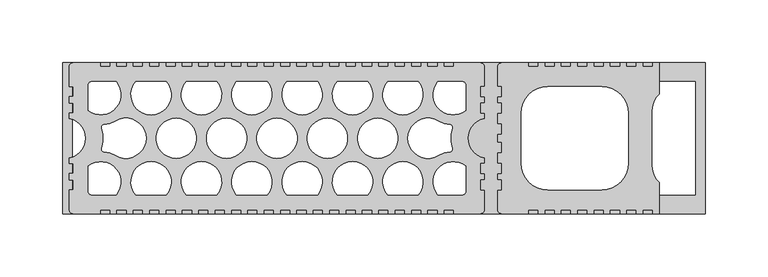
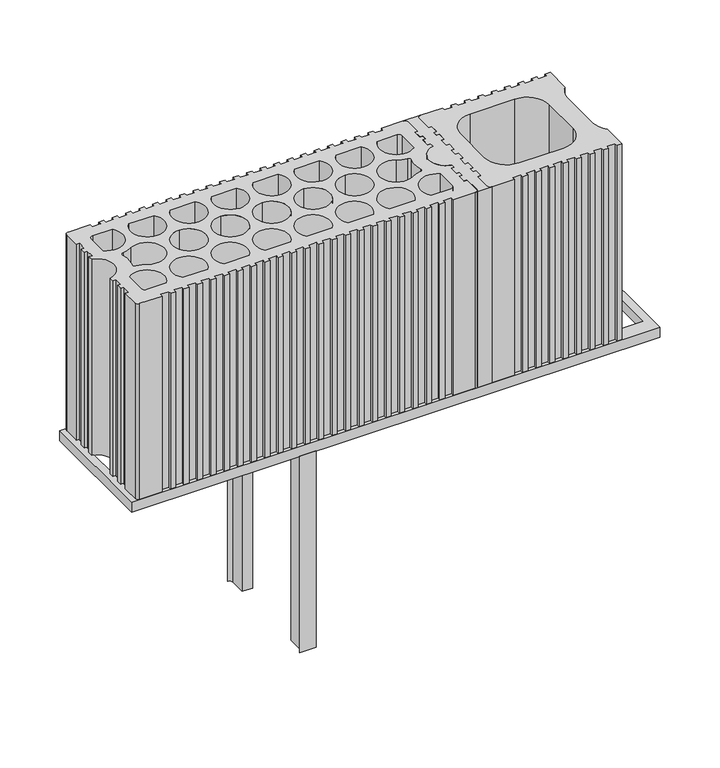
"""IFC4 building model written with IfcOpenShell, lengths in millimetres: plate geometry."""

from ifc_helpers import new_model, si_unit, point, frame, frame_2d, origin, place, context, project, spatial, polyline, circle_curve, trimmed, segment, composite_curve, outline, extrude, source, transform, mapped, element, save
from ifc_brep_helpers import plane_surface, cylinder_surface, revolved_surface, advanced_brep


def plate_0c4dad16(model_context):
    return source(origin(), model_context, "Body", "SolidModel", [
        advanced_brep(
        [(79.9998381, 40.9999193, 410.0), (76.9998232, 40.9999193, 410.0), (76.9998232, 32.9999342, 410.0), (79.9998381, 32.9999342, 410.0), (79.9998381, 27.9999416, 410.0), (76.9998232, 27.9999416, 410.0), (76.9998232, 19.9999565, 410.0), (79.9998381, 19.9999565, 410.0), (79.9998381, 15.7162058, 410.0), (79.9998381, -15.7162058, 410.0), (79.9998381, -19.9999618, 410.0), (76.9998232, -19.9999618, 410.0), (76.9998232, -28.0000909, 410.0), (79.9998381, -28.0000909, 410.0), (79.9998381, -32.999934, 410.0), (76.9998232, -32.999934, 410.0), (76.9998232, -40.9999191, 410.0), (79.9998381, -40.9999191, 410.0), (79.9998381, -56.9998849, 410.0), (76.999886, -59.9998788, 410.0), (92.9997902, -59.9998788, 410.0), (89.9998381, -56.9998849, 410.0), (89.9998381, -40.9999191, 410.0), (92.999853, -40.9999191, 410.0), (92.999853, -32.999934, 410.0), (89.9998381, -32.999934, 410.0), (89.9998381, -27.9999433, 410.0), (92.999853, -27.9999433, 410.0), (92.999853, -19.9999618, 410.0), (89.9998381, -19.9999618, 410.0), (89.9998381, -11.5000363, 410.0), (92.9998478, -11.5000363, 410.0), (92.9998478, -3.5000128, 410.0), (89.9998381, -3.5000128, 410.0), (89.9998381, 3.5000128, 410.0), (92.9998478, 3.5000128, 410.0), (92.9998478, 11.50004, 410.0), (89.9998381, 11.50004, 410.0), (89.9998381, 19.9999565, 410.0), (92.999853, 19.9999565, 410.0), (92.999853, 27.9999416, 410.0), (89.9998381, 27.9999416, 410.0), (89.9998381, 32.9999342, 410.0), (92.999853, 32.9999342, 410.0), (92.999853, 40.9999193, 410.0), (89.9998381, 40.9999193, 410.0), (89.9998381, 56.9998822, 410.0), (92.9995324, 59.9998815, 410.0), (77.0001438, 59.9998815, 410.0), (79.9998381, 56.9998822, 410.0), (79.9998381, 40.9999193, 210.0), (79.9998381, 56.9998822, 210.0), (77.0001438, 59.9998815, 210.0), (92.9995324, 59.9998815, 210.0), (89.9998381, 56.9998822, 210.0), (89.9998381, 40.9999193, 210.0), (92.999853, 40.9999193, 210.0), (92.999853, 32.9999342, 210.0), (89.9998381, 32.9999342, 210.0), (89.9998381, 27.9999416, 210.0), (92.999853, 27.9999416, 210.0), (92.999853, 19.9999565, 210.0), (89.9998381, 19.9999565, 210.0), (89.9998381, 11.50004, 210.0), (92.9998478, 11.50004, 210.0), (92.9998478, 3.5000128, 210.0), (89.9998381, 3.5000128, 210.0), (89.9998381, -3.5000128, 210.0), (92.9998478, -3.5000128, 210.0), (92.9998478, -11.5000363, 210.0), (89.9998381, -11.5000363, 210.0), (89.9998381, -19.9999618, 210.0), (92.999853, -19.9999618, 210.0), (92.999853, -27.9999433, 210.0), (89.9998381, -27.9999433, 210.0), (89.9998381, -32.999934, 210.0), (92.999853, -32.999934, 210.0), (92.999853, -40.9999191, 210.0), (89.9998381, -40.9999191, 210.0), (89.9998381, -56.9998849, 210.0), (92.9997902, -59.9998788, 210.0), (76.999886, -59.9998788, 210.0), (79.9998381, -56.9998849, 210.0), (79.9998381, -40.9999191, 210.0), (76.9998232, -40.9999191, 210.0), (76.9998232, -32.999934, 210.0), (79.9998381, -32.999934, 210.0), (79.9998381, -28.0000909, 210.0), (76.9998232, -28.0000909, 210.0), (76.9998232, -19.9999618, 210.0), (79.9998381, -19.9999618, 210.0), (79.9998381, -15.7162058, 210.0), (79.9998381, 15.7162058, 210.0), (79.9998381, 19.9999565, 210.0), (76.9998232, 19.9999565, 210.0), (76.9998232, 27.9999416, 210.0), (79.9998381, 27.9999416, 210.0), (79.9998381, 32.9999342, 210.0), (76.9998232, 32.9999342, 210.0), (76.9998232, 40.9999193, 210.0)],
        [
            (0, 1),
            (1, 2),
            (2, 3),
            (3, 4),
            (4, 5),
            (5, 6),
            (6, 7),
            (7, 8),
            (8, 9, circle_curve(frame((82.9998206, 0.0, 410.0), z_axis=(0.0, 0.0, 1.0), x_axis=(0.0, 1.0, 0.0)), 15.9999693)),
            (9, 10),
            (10, 11),
            (11, 12),
            (12, 13),
            (13, 14),
            (14, 15),
            (15, 16),
            (16, 17),
            (17, 18),
            (18, 19, circle_curve(frame((77.0618703, -57.0619101, 410.0), z_axis=(0.0, 0.0, -1.0), x_axis=(0.0, 1.0, 0.0)), 2.9386225)),
            (19, 20),
            (20, 21, circle_curve(frame((92.9378059, -57.0619101, 410.0), z_axis=(0.0, 0.0, -1.0), x_axis=(0.0, 1.0, 0.0)), 2.9386225)),
            (21, 22),
            (22, 23),
            (23, 24),
            (24, 25),
            (25, 26),
            (26, 27),
            (27, 28),
            (28, 29),
            (29, 30),
            (30, 31),
            (31, 32),
            (32, 33),
            (33, 34),
            (34, 35),
            (35, 36),
            (36, 37),
            (37, 38),
            (38, 39),
            (39, 40),
            (40, 41),
            (41, 42),
            (42, 43),
            (43, 44),
            (44, 45),
            (45, 46),
            (46, 47, circle_curve(frame((92.9378059, 57.0619074, 410.0), z_axis=(0.0, 0.0, -1.0), x_axis=(0.0, 1.0, 0.0)), 2.9386225)),
            (47, 48),
            (48, 49, circle_curve(frame((77.0618703, 57.0619074, 410.0), z_axis=(0.0, 0.0, -1.0), x_axis=(0.0, 1.0, 0.0)), 2.9386225)),
            (49, 0),
            (50, 51),
            (51, 52, circle_curve(frame((77.0618703, 57.0619074, 210.0), z_axis=(0.0, 0.0, 1.0), x_axis=(0.0, 1.0, 0.0)), 2.9386225)),
            (52, 53),
            (53, 54, circle_curve(frame((92.9378059, 57.0619074, 210.0), z_axis=(0.0, 0.0, 1.0), x_axis=(0.0, 1.0, 0.0)), 2.9386225)),
            (54, 55),
            (55, 56),
            (56, 57),
            (57, 58),
            (58, 59),
            (59, 60),
            (60, 61),
            (61, 62),
            (62, 63),
            (63, 64),
            (64, 65),
            (65, 66),
            (66, 67),
            (67, 68),
            (68, 69),
            (69, 70),
            (70, 71),
            (71, 72),
            (72, 73),
            (73, 74),
            (74, 75),
            (75, 76),
            (76, 77),
            (77, 78),
            (78, 79),
            (79, 80, circle_curve(frame((92.9378059, -57.0619101, 210.0), z_axis=(0.0, 0.0, 1.0), x_axis=(0.0, 1.0, 0.0)), 2.9386225)),
            (80, 81),
            (81, 82, circle_curve(frame((77.0618703, -57.0619101, 210.0), z_axis=(0.0, 0.0, 1.0), x_axis=(0.0, 1.0, 0.0)), 2.9386225)),
            (82, 83),
            (83, 84),
            (84, 85),
            (85, 86),
            (86, 87),
            (87, 88),
            (88, 89),
            (89, 90),
            (90, 91),
            (91, 92, circle_curve(frame((82.9998206, 0.0, 210.0), z_axis=(0.0, 0.0, -1.0), x_axis=(0.0, 1.0, 0.0)), 15.9999693)),
            (92, 93),
            (93, 94),
            (94, 95),
            (95, 96),
            (96, 97),
            (97, 98),
            (98, 99),
            (99, 50),
            (49, 51),
            (50, 0),
            (47, 53),
            (52, 48),
            (45, 55),
            (54, 46),
            (21, 79),
            (78, 22),
            (19, 81),
            (80, 20),
            (17, 83),
            (82, 18),
            (44, 56),
            (43, 57),
            (42, 58),
            (41, 59),
            (40, 60),
            (39, 61),
            (38, 62),
            (37, 63),
            (29, 71),
            (70, 30),
            (28, 72),
            (27, 73),
            (26, 74),
            (25, 75),
            (24, 76),
            (23, 77),
            (16, 84),
            (15, 85),
            (14, 86),
            (13, 87),
            (12, 88),
            (11, 89),
            (10, 90),
            (9, 91),
            (8, 92),
            (7, 93),
            (6, 94),
            (5, 95),
            (4, 96),
            (3, 97),
            (2, 98),
            (1, 99),
            (36, 64),
            (35, 65),
            (34, 66),
            (33, 67),
            (32, 68),
            (31, 69),
        ],
        [
            plane_surface(frame((79.9998381, 40.9999193, 410.0), z_axis=(0.0, 0.0, 1.0), x_axis=(-1.0, 0.0, 0.0))),
            plane_surface(frame((79.9998381, 40.9999193, 210.0), z_axis=(0.0, 0.0, -1.0), x_axis=(1.0, 0.0, 0.0))),
            plane_surface(frame((79.9998381, 56.9998822, 410.0), z_axis=(-1.0, 0.0, 0.0), x_axis=(0.0, 0.0, -1.0))),
            plane_surface(frame((92.9995324, 59.9998815, 410.0), z_axis=(0.0, 1.0, 0.0), x_axis=(0.0, 0.0, -1.0))),
            plane_surface(frame((89.9998381, 40.9999193, 410.0), z_axis=(1.0, 0.0, 0.0), x_axis=(0.0, 0.0, -1.0))),
            plane_surface(frame((89.9998381, -56.9998849, 410.0), z_axis=(1.0, 0.0, 0.0), x_axis=(0.0, 0.0, -1.0))),
            plane_surface(frame((76.999886, -59.9998788, 410.0), z_axis=(0.0, -1.0, 0.0), x_axis=(0.0, 0.0, -1.0))),
            plane_surface(frame((79.9998381, -40.9999191, 410.0), z_axis=(-1.0, 0.0, 0.0), x_axis=(0.0, 0.0, -1.0))),
            revolved_surface(polyline([(77.0618703, 60.000529900000004, 210.0), (77.0618703, 60.000529900000004, 410.0)]), (77.0618703, 57.0619074, 210.0), (0.0, 0.0, -1.0)),
            revolved_surface(polyline([(92.9378059, 60.000529900000004, 210.0), (92.9378059, 60.000529900000004, 410.0)]), (92.9378059, 57.0619074, 210.0), (0.0, 0.0, -1.0)),
            revolved_surface(polyline([(92.9378059, -54.1232876, 210.0), (92.9378059, -54.1232876, 410.0)]), (92.9378059, -57.0619101, 210.0), (0.0, 0.0, -1.0)),
            revolved_surface(polyline([(77.0618703, -54.1232876, 210.0), (77.0618703, -54.1232876, 410.0)]), (77.0618703, -57.0619101, 210.0), (0.0, 0.0, -1.0)),
            plane_surface(frame((92.999853, 40.9999193, 410.0), z_axis=(0.0, 1.0, 0.0), x_axis=(0.0, 0.0, -1.0))),
            plane_surface(frame((92.999853, 32.9999342, 410.0), z_axis=(1.0, 0.0, 0.0), x_axis=(0.0, 0.0, -1.0))),
            plane_surface(frame((89.9998381, 32.9999342, 410.0), z_axis=(0.0, -1.0, 0.0), x_axis=(0.0, 0.0, -1.0))),
            plane_surface(frame((89.9998381, 27.9999416, 410.0), z_axis=(1.0, 0.0, 0.0), x_axis=(0.0, 0.0, -1.0))),
            plane_surface(frame((92.999853, 27.9999416, 410.0), z_axis=(0.0, 1.0, 0.0), x_axis=(0.0, 0.0, -1.0))),
            plane_surface(frame((92.999853, 19.9999565, 410.0), z_axis=(1.0, 0.0, 0.0), x_axis=(0.0, 0.0, -1.0))),
            plane_surface(frame((89.9998381, 19.9999565, 410.0), z_axis=(0.0, -1.0, 0.0), x_axis=(0.0, 0.0, -1.0))),
            plane_surface(frame((89.9998381, 11.50004, 410.0), z_axis=(1.0, 0.0, 0.0), x_axis=(0.0, 0.0, -1.0))),
            plane_surface(frame((89.9998381, -19.9999618, 410.0), z_axis=(1.0, 0.0, 0.0), x_axis=(0.0, 0.0, -1.0))),
            plane_surface(frame((92.999853, -19.9999618, 410.0), z_axis=(0.0, 1.0, 0.0), x_axis=(0.0, 0.0, -1.0))),
            plane_surface(frame((92.999853, -27.9999433, 410.0), z_axis=(1.0, 0.0, 0.0), x_axis=(0.0, 0.0, -1.0))),
            plane_surface(frame((89.9998381, -27.9999433, 410.0), z_axis=(0.0, -1.0, 0.0), x_axis=(0.0, 0.0, -1.0))),
            plane_surface(frame((89.9998381, -32.999934, 410.0), z_axis=(1.0, 0.0, 0.0), x_axis=(0.0, 0.0, -1.0))),
            plane_surface(frame((92.999853, -32.999934, 410.0), z_axis=(0.0, 1.0, 0.0), x_axis=(0.0, 0.0, -1.0))),
            plane_surface(frame((92.999853, -40.9999191, 410.0), z_axis=(1.0, 0.0, 0.0), x_axis=(0.0, 0.0, -1.0))),
            plane_surface(frame((89.9998381, -40.9999191, 410.0), z_axis=(0.0, -1.0, 0.0), x_axis=(0.0, 0.0, -1.0))),
            plane_surface(frame((76.9998232, -40.9999191, 410.0), z_axis=(0.0, -1.0, 0.0), x_axis=(0.0, 0.0, -1.0))),
            plane_surface(frame((76.9998232, -32.999934, 410.0), z_axis=(-1.0, 0.0, 0.0), x_axis=(0.0, 0.0, -1.0))),
            plane_surface(frame((79.9998381, -32.999934, 410.0), z_axis=(0.0, 1.0, 0.0), x_axis=(0.0, 0.0, -1.0))),
            plane_surface(frame((79.9998381, -28.0000909, 410.0), z_axis=(-1.0, 0.0, 0.0), x_axis=(0.0, 0.0, -1.0))),
            plane_surface(frame((76.9998232, -28.0000909, 410.0), z_axis=(0.0, -1.0, 0.0), x_axis=(0.0, 0.0, -1.0))),
            plane_surface(frame((76.9998232, -19.9999618, 410.0), z_axis=(-1.0, 0.0, 0.0), x_axis=(0.0, 0.0, -1.0))),
            plane_surface(frame((79.9998381, -19.9999618, 410.0), z_axis=(0.0, 1.0, 0.0), x_axis=(0.0, 0.0, -1.0))),
            plane_surface(frame((79.9998381, -15.7162058, 410.0), z_axis=(-1.0, 0.0, 0.0), x_axis=(0.0, 0.0, -1.0))),
            cylinder_surface(frame((82.9998206, 0.0, 210.0), z_axis=(0.0, 0.0, 1.0), x_axis=(0.0, 1.0, 0.0)), 15.9999693),
            plane_surface(frame((79.9998381, 19.9999565, 410.0), z_axis=(-1.0, 0.0, 0.0), x_axis=(0.0, 0.0, -1.0))),
            plane_surface(frame((76.9998232, 19.9999565, 410.0), z_axis=(0.0, -1.0, 0.0), x_axis=(0.0, 0.0, -1.0))),
            plane_surface(frame((76.9998232, 27.9999416, 410.0), z_axis=(-1.0, 0.0, 0.0), x_axis=(0.0, 0.0, -1.0))),
            plane_surface(frame((79.9998381, 27.9999416, 410.0), z_axis=(0.0, 1.0, 0.0), x_axis=(0.0, 0.0, -1.0))),
            plane_surface(frame((79.9998381, 32.9999342, 410.0), z_axis=(-1.0, 0.0, 0.0), x_axis=(0.0, 0.0, -1.0))),
            plane_surface(frame((76.9998232, 32.9999342, 410.0), z_axis=(0.0, -1.0, 0.0), x_axis=(0.0, 0.0, -1.0))),
            plane_surface(frame((76.9998232, 40.9999193, 410.0), z_axis=(-1.0, 0.0, 0.0), x_axis=(0.0, 0.0, -1.0))),
            plane_surface(frame((79.9998381, 40.9999193, 410.0), z_axis=(0.0, 1.0, 0.0), x_axis=(0.0, 0.0, -1.0))),
            plane_surface(frame((92.9998478, 11.50004, 410.0), z_axis=(0.0, 1.0, 0.0), x_axis=(0.0, 0.0, -1.0))),
            plane_surface(frame((92.9998478, 3.5000128, 410.0), z_axis=(1.0, 0.0, 0.0), x_axis=(0.0, 0.0, -1.0))),
            plane_surface(frame((89.9998381, 3.5000128, 410.0), z_axis=(0.0, -1.0, 0.0), x_axis=(0.0, 0.0, -1.0))),
            plane_surface(frame((89.9998381, -3.5000128, 410.0), z_axis=(1.0, 0.0, 0.0), x_axis=(0.0, 0.0, -1.0))),
            plane_surface(frame((92.9998478, -3.5000128, 410.0), z_axis=(0.0, 1.0, 0.0), x_axis=(0.0, 0.0, -1.0))),
            plane_surface(frame((92.9998478, -11.5000363, 410.0), z_axis=(1.0, 0.0, 0.0), x_axis=(0.0, 0.0, -1.0))),
            plane_surface(frame((89.9998381, -11.5000363, 410.0), z_axis=(0.0, -1.0, 0.0), x_axis=(0.0, 0.0, -1.0))),
        ],
        [
            (0, [[1, 2, 3, 4, 5, 6, 7, 8, 9, 10, 11, 12, 13, 14, 15, 16, 17, 18, 19, 20, 21, 22, 23, 24, 25, 26, 27, 28, 29, 30, 31, 32, 33, 34, 35, 36, 37, 38, 39, 40, 41, 42, 43, 44, 45, 46, 47, 48, 49, 50]]),
            (1, [[51, 52, 53, 54, 55, 56, 57, 58, 59, 60, 61, 62, 63, 64, 65, 66, 67, 68, 69, 70, 71, 72, 73, 74, 75, 76, 77, 78, 79, 80, 81, 82, 83, 84, 85, 86, 87, 88, 89, 90, 91, 92, 93, 94, 95, 96, 97, 98, 99, 100]]),
            (2, [[-50, 101, -51, 102]]),
            (3, [[-48, 103, -53, 104]]),
            (4, [[-46, 105, -55, 106]]),
            (5, [[-22, 107, -79, 108]]),
            (6, [[-20, 109, -81, 110]]),
            (7, [[-18, 111, -83, 112]]),
            (8, [[-49, -104, -52, -101]]),
            (9, [[-47, -106, -54, -103]]),
            (10, [[-21, -110, -80, -107]]),
            (11, [[-19, -112, -82, -109]]),
            (12, [[-45, 113, -56, -105]]),
            (13, [[-44, 114, -57, -113]]),
            (14, [[-43, 115, -58, -114]]),
            (15, [[-42, 116, -59, -115]]),
            (16, [[-41, 117, -60, -116]]),
            (17, [[-40, 118, -61, -117]]),
            (18, [[-39, 119, -62, -118]]),
            (19, [[-38, 120, -63, -119]]),
            (20, [[-30, 121, -71, 122]]),
            (21, [[-29, 123, -72, -121]]),
            (22, [[-28, 124, -73, -123]]),
            (23, [[-27, 125, -74, -124]]),
            (24, [[-26, 126, -75, -125]]),
            (25, [[-25, 127, -76, -126]]),
            (26, [[-24, 128, -77, -127]]),
            (27, [[-23, -108, -78, -128]]),
            (28, [[-17, 129, -84, -111]]),
            (29, [[-16, 130, -85, -129]]),
            (30, [[-15, 131, -86, -130]]),
            (31, [[-14, 132, -87, -131]]),
            (32, [[-13, 133, -88, -132]]),
            (33, [[-12, 134, -89, -133]]),
            (34, [[-11, 135, -90, -134]]),
            (35, [[-10, 136, -91, -135]]),
            (36, [[-9, 137, -92, -136]]),
            (37, [[-8, 138, -93, -137]]),
            (38, [[-7, 139, -94, -138]]),
            (39, [[-6, 140, -95, -139]]),
            (40, [[-5, 141, -96, -140]]),
            (41, [[-4, 142, -97, -141]]),
            (42, [[-3, 143, -98, -142]]),
            (43, [[-2, 144, -99, -143]]),
            (44, [[-1, -102, -100, -144]]),
            (45, [[-37, 145, -64, -120]]),
            (46, [[-36, 146, -65, -145]]),
            (47, [[-35, 147, -66, -146]]),
            (48, [[-34, 148, -67, -147]]),
            (49, [[-33, 149, -68, -148]]),
            (50, [[-32, 150, -69, -149]]),
            (51, [[-31, -122, -70, -150]]),
        ],
    ),
        advanced_brep(
        [(-89.9998399, -40.9999178, 200.0), (-89.9998399, -56.9998835, 200.0), (-92.9997277, -59.9998788, 200.0), (-76.9999521, -59.9998788, 200.0), (-79.9998399, -56.9998835, 200.0), (-79.9998399, -40.9999178, 200.0), (-89.9998399, -40.9999178, 0.0), (-79.9998399, -40.9999178, 0.0), (-79.9998399, -56.9998835, 0.0), (-76.9999521, -59.9998788, 0.0), (-92.9997277, -59.9998788, 0.0), (-89.9998399, -56.9998835, 0.0)],
        [
            (0, 1),
            (1, 2, circle_curve(frame((-92.9378077, -57.0619088, 200.0), z_axis=(0.0, 0.0, -1.0), x_axis=(1.0, 0.0, 0.0)), 2.9386225)),
            (2, 3),
            (3, 4, circle_curve(frame((-77.0618721, -57.0619088, 200.0), z_axis=(0.0, 0.0, -1.0), x_axis=(1.0, 0.0, 0.0)), 2.9386225)),
            (4, 5),
            (5, 0),
            (6, 7),
            (7, 8),
            (8, 9, circle_curve(frame((-77.0618721, -57.0619088, 0.0), z_axis=(0.0, 0.0, 1.0), x_axis=(1.0, 0.0, 0.0)), 2.9386225)),
            (9, 10),
            (10, 11, circle_curve(frame((-92.9378077, -57.0619088, 0.0), z_axis=(0.0, 0.0, 1.0), x_axis=(1.0, 0.0, 0.0)), 2.9386225)),
            (11, 6),
            (0, 6),
            (11, 1),
            (10, 2),
            (9, 3),
            (8, 4),
            (7, 5),
        ],
        [
            plane_surface(frame((-89.9998399, -56.9998835, 200.0), z_axis=(0.0, 0.0, 1.0), x_axis=(0.0, -1.0, 0.0))),
            plane_surface(frame((-89.9998399, -56.9998835, 0.0), z_axis=(0.0, 0.0, -1.0), x_axis=(0.0, 1.0, 0.0))),
            plane_surface(frame((-89.9998399, -40.9999178, 200.0), z_axis=(-1.0, 0.0, 0.0), x_axis=(0.0, 0.0, -1.0))),
            revolved_surface(polyline([(-89.9991852, -57.0619088, 0.0), (-89.9991852, -57.0619088, 200.0)]), (-92.9378077, -57.0619088, 0.0), (0.0, 0.0, -1.0)),
            plane_surface(frame((-92.9997277, -59.9998788, 200.0), z_axis=(0.0, -1.0, 0.0), x_axis=(0.0, 0.0, -1.0))),
            revolved_surface(polyline([(-74.12324960000001, -57.0619088, 0.0), (-74.12324960000001, -57.0619088, 200.0)]), (-77.0618721, -57.0619088, 0.0), (0.0, 0.0, -1.0)),
            plane_surface(frame((-79.9998399, -56.9998835, 200.0), z_axis=(1.0, 0.0, 0.0), x_axis=(0.0, 0.0, -1.0))),
            plane_surface(frame((-79.9998399, -40.9999178, 200.0), z_axis=(0.0, 1.0, 0.0), x_axis=(0.0, 0.0, -1.0))),
        ],
        [
            (0, [[1, 2, 3, 4, 5, 6]]),
            (1, [[7, 8, 9, 10, 11, 12]]),
            (2, [[-1, 13, -12, 14]]),
            (3, [[-2, -14, -11, 15]]),
            (4, [[-3, -15, -10, 16]]),
            (5, [[-4, -16, -9, 17]]),
            (6, [[-5, -17, -8, 18]]),
            (7, [[-6, -18, -7, -13]]),
        ],
    ),
        advanced_brep(
        [(-79.9998399, 40.9999207, 200.0), (-79.9998399, 56.9998835, 200.0), (-76.999825, 59.9998761, 200.0), (-92.9998548, 59.9998761, 200.0), (-89.9998399, 56.9998835, 200.0), (-89.9998399, 40.9999207, 200.0), (-79.9998399, 40.9999207, 0.0), (-89.9998399, 40.9999207, 0.0), (-89.9998399, 56.9998835, 0.0), (-92.9998548, 59.9998761, 0.0), (-76.999825, 59.9998761, 0.0), (-79.9998399, 56.9998835, 0.0)],
        [
            (0, 1),
            (1, 2, circle_curve(frame((-77.0618721, 57.0619088, 200.0), z_axis=(0.0, 0.0, -1.0), x_axis=(1.0, 0.0, 0.0)), 2.9386225)),
            (2, 3),
            (3, 4, circle_curve(frame((-92.9378077, 57.0619088, 200.0), z_axis=(0.0, 0.0, -1.0), x_axis=(1.0, 0.0, 0.0)), 2.9386225)),
            (4, 5),
            (5, 0),
            (6, 7),
            (7, 8),
            (8, 9, circle_curve(frame((-92.9378077, 57.0619088, 0.0), z_axis=(0.0, 0.0, 1.0), x_axis=(1.0, 0.0, 0.0)), 2.9386225)),
            (9, 10),
            (10, 11, circle_curve(frame((-77.0618721, 57.0619088, 0.0), z_axis=(0.0, 0.0, 1.0), x_axis=(1.0, 0.0, 0.0)), 2.9386225)),
            (11, 6),
            (0, 6),
            (11, 1),
            (10, 2),
            (9, 3),
            (8, 4),
            (7, 5),
        ],
        [
            plane_surface(frame((-89.9998399, -56.9998835, 200.0), z_axis=(0.0, 0.0, 1.0), x_axis=(0.0, -1.0, 0.0))),
            plane_surface(frame((-89.9998399, -56.9998835, 0.0), z_axis=(0.0, 0.0, -1.0), x_axis=(0.0, 1.0, 0.0))),
            plane_surface(frame((-79.9998399, 40.9999207, 200.0), z_axis=(1.0, 0.0, 0.0), x_axis=(0.0, 0.0, -1.0))),
            revolved_surface(polyline([(-74.12324960000001, 57.0619088, 0.0), (-74.12324960000001, 57.0619088, 200.0)]), (-77.0618721, 57.0619088, 0.0), (0.0, 0.0, -1.0)),
            plane_surface(frame((-76.999825, 59.9998761, 200.0), z_axis=(0.0, 1.0, 0.0), x_axis=(0.0, 0.0, -1.0))),
            revolved_surface(polyline([(-89.9991852, 57.0619088, 0.0), (-89.9991852, 57.0619088, 200.0)]), (-92.9378077, 57.0619088, 0.0), (0.0, 0.0, -1.0)),
            plane_surface(frame((-89.9998399, 56.9998835, 200.0), z_axis=(-1.0, 0.0, 0.0), x_axis=(0.0, 0.0, -1.0))),
            plane_surface(frame((-89.9998399, 40.9999207, 200.0), z_axis=(0.0, -1.0, 0.0), x_axis=(0.0, 0.0, -1.0))),
        ],
        [
            (0, [[1, 2, 3, 4, 5, 6]]),
            (1, [[7, 8, 9, 10, 11, 12]]),
            (2, [[-1, 13, -12, 14]]),
            (3, [[-2, -14, -11, 15]]),
            (4, [[-3, -15, -10, 16]]),
            (5, [[-4, -16, -9, 17]]),
            (6, [[-5, -17, -8, 18]]),
            (7, [[-6, -18, -7, -13]]),
        ],
    ),
        extrude(outline(polyline([(-254.9995197, 59.9998801), (254.9995197, 59.9998801), (254.9995197, -59.9998788), (-254.9995197, -59.9998788), (-254.9995197, 59.9998801)]), holes=[polyline([(247.1934492, 44.9999121), (-247.1934394, 44.9999121), (-247.1934394, -44.9999108), (247.1934492, -44.9999108), (247.1934492, 44.9999121)])]), frame((0.0, 0.0, 200.0), z_axis=(0.0, 0.0, 1.0), x_axis=(1.0, 0.0, 0.0)), (0.0, 0.0, 1.0), 10.0),
        extrude(outline(composite_curve([segment(polyline([(114.4999184, -60.0001945), (92.9998496, -60.0001945)]), True, "CONTINUOUS"), segment(trimmed(circle_curve(frame_2d((92.9998496, -57.0001848)), 3.0000097), [point((92.9998496, -60.0001945))], [point((89.9998399, -57.0001848))], False, "CARTESIAN"), True, "CONTINUOUS"), segment(polyline([(89.9998399, -57.0001848), (89.9998399, -41.0001337), (92.9998496, -41.0001337), (92.9998496, -33.0001065), (89.9998399, -33.0001065), (89.9998399, -28.0000895), (92.9998496, -28.0000895), (92.9998496, -20.0000661), (89.9998399, -20.0000661), (89.9998399, -11.5000363), (92.9998496, -11.5000363), (92.9998496, -3.5000128), (89.9998399, -3.5000128), (89.9998399, 3.5000128), (92.9998496, 3.5000128), (92.9998496, 11.50004), (89.9998399, 11.50004), (89.9998399, 20.0000623), (92.9998496, 20.0000623), (92.9998496, 28.0000895), (89.9998399, 28.0000895), (89.9998399, 33.0001084), (92.9998496, 33.0001084), (92.9998496, 41.0001355), (89.9998399, 41.0001355), (89.9998399, 57.0001856)]), True, "CONTINUOUS"), segment(trimmed(circle_curve(frame_2d((92.999845, 57.0001856)), 3.0000051), [point((89.9998399, 57.0001856))], [point((92.999845, 60.0001907))], False, "CARTESIAN"), True, "CONTINUOUS"), segment(polyline([(92.999845, 60.0001907), (114.4999184, 60.0001907), (114.4999184, 57.000181), (122.4999437, 57.000181), (122.4999437, 60.0001907), (127.4999626, 60.0001907), (127.4999626, 57.000181), (135.499986, 57.000181), (135.499986, 60.0001907), (140.5000049, 60.0001907), (140.5000049, 57.000181), (148.5000283, 57.000181), (148.5000283, 60.0001907), (153.5000472, 60.0001907), (153.5000472, 57.000181), (161.5000743, 57.000181), (161.5000743, 60.0001907), (166.5000857, 60.0001907), (166.5000857, 57.000181), (174.5001129, 57.000181), (174.5001129, 60.0001907), (179.5001317, 60.0001907), (179.5001317, 57.000181), (187.5001515, 57.000181), (187.5001515, 60.0001907), (192.5001703, 60.0001907), (192.5001703, 57.000181), (200.5001975, 57.000181), (200.5001975, 60.0001907), (205.5002163, 60.0001907), (205.5002163, 57.000181), (213.500236, 57.000181), (213.500236, 60.0001907), (218.5002549, 60.0001907), (218.5002549, 35.2830638)]), True, "CONTINUOUS"), segment(trimmed(circle_curve(frame_2d((232.5002648, 21.000126)), 20.0000648), [point((218.5002549, 35.2830638))], [point((212.5002, 21.000126))], True, "CARTESIAN"), True, "CONTINUOUS"), segment(polyline([(212.5002, 21.000126), (212.5002, -21.0001297)]), True, "CONTINUOUS"), segment(trimmed(circle_curve(frame_2d((232.5002648, -21.0001297)), 20.0000648), [point((212.5002, -21.0001297))], [point((218.5002549, -35.2830676))], True, "CARTESIAN"), True, "CONTINUOUS"), segment(polyline([(218.5002549, -35.2830676), (218.5002549, -60.0001945), (213.500236, -60.0001945), (213.500236, -57.0001847), (205.5002163, -57.0001847), (205.5002163, -60.0001945), (200.5001975, -60.0001945), (200.5001975, -57.0001847), (192.5001703, -57.0001847), (192.5001703, -60.0001945), (187.5001515, -60.0001945), (187.5001515, -57.0001847), (179.5001317, -57.0001847), (179.5001317, -60.0001945), (174.5001129, -60.0001945), (174.5001129, -57.0001847), (166.5000857, -57.0001847), (166.5000857, -60.0001945), (161.5000743, -60.0001945), (161.5000743, -57.0001847), (153.5000472, -57.0001847), (153.5000472, -60.0001945), (148.5000283, -60.0001945), (148.5000283, -57.0001847), (140.5000049, -57.0001847), (140.5000049, -60.0001945), (135.499986, -60.0001945), (135.499986, -57.0001847), (127.4999626, -57.0001847), (127.4999626, -60.0001945), (122.4999437, -60.0001945), (122.4999437, -57.0001847), (114.4999184, -57.0001847), (114.4999184, -60.0001945)]), True, "CONTINUOUS")], self_intersect=False), holes=[composite_curve([segment(trimmed(circle_curve(frame_2d((129.9998399, -20.0001945)), 21.0), [point((108.9998399, -20.0001945))], [point((129.9998399, -41.0001945))], True, "CARTESIAN"), True, "CONTINUOUS"), segment(polyline([(129.9998399, -41.0001945), (173.000192, -41.0001945)]), True, "CONTINUOUS"), segment(trimmed(circle_curve(frame_2d((173.000192, -20.0001945)), 21.0), [point((173.000192, -41.0001945))], [point((194.000192, -20.0001945))], True, "CARTESIAN"), True, "CONTINUOUS"), segment(polyline([(194.000192, -20.0001945), (194.000192, 20.0001907)]), True, "CONTINUOUS"), segment(trimmed(circle_curve(frame_2d((173.000192, 20.0001907)), 21.0), [point((194.000192, 20.0001907))], [point((173.000192, 41.0001907))], True, "CARTESIAN"), True, "CONTINUOUS"), segment(polyline([(173.000192, 41.0001907), (129.9998399, 41.0001907)]), True, "CONTINUOUS"), segment(trimmed(circle_curve(frame_2d((129.9998399, 20.0001907)), 21.0), [point((129.9998399, 41.0001907))], [point((108.9998399, 20.0001907))], True, "CARTESIAN"), True, "CONTINUOUS"), segment(polyline([(108.9998399, 20.0001907), (108.9998399, -20.0001945)]), True, "CONTINUOUS")], self_intersect=False)]), frame((0.0, 0.0, 210.0), z_axis=(0.0, 0.0, 1.0), x_axis=(1.0, 0.0, 0.0)), (0.0, 0.0, 1.0), 200.0),
        extrude(outline(composite_curve([segment(trimmed(circle_curve(frame_2d((-247.0615536, -57.0619101)), 2.9386225), [point((-246.9996337, -59.9998801))], [point((-249.9995215, -56.9998849))], False, "CARTESIAN"), True, "CONTINUOUS"), segment(polyline([(-249.9995215, -56.9998849), (-249.9995215, -40.9999191), (-246.9995065, -40.9999191), (-246.9995065, -32.999934), (-249.9995215, -32.999934), (-249.9995215, -28.0000909), (-246.9995065, -28.0000909), (-246.9995065, -19.9999618), (-249.9995215, -19.9999618), (-249.9995215, -15.7162058)]), True, "CONTINUOUS"), segment(trimmed(circle_curve(frame_2d((-252.9995039, 0.0)), 15.9999693), [point((-249.9995215, -15.7162058))], [point((-249.9995215, 15.7162058))], True, "CARTESIAN"), True, "CONTINUOUS"), segment(polyline([(-249.9995215, 15.7162058), (-249.9995215, 19.9999565), (-246.9995065, 19.9999565), (-246.9995065, 27.9999416), (-249.9995215, 27.9999416), (-249.9995215, 32.9999342), (-246.9995065, 32.9999342), (-246.9995065, 40.9999193), (-249.9995215, 40.9999193), (-249.9995215, 56.9998822)]), True, "CONTINUOUS"), segment(trimmed(circle_curve(frame_2d((-247.0615536, 57.0619074)), 2.9386225), [point((-249.9995215, 56.9998822))], [point((-246.9995065, 59.9998747))], False, "CARTESIAN"), True, "CONTINUOUS"), segment(polyline([(-246.9995065, 59.9998747), (-225.4995585, 59.9998747), (-225.4995585, 56.9998862), (-217.4995752, 56.9998862), (-217.4995752, 59.9998801), (-212.4995826, 59.9998801), (-212.4995826, 56.9998862), (-204.4996012, 56.9998862), (-204.4996012, 59.9998801), (-199.4996086, 59.9998801), (-199.4996086, 56.9998862), (-191.4996272, 56.9998862), (-191.4996272, 59.9998801), (-186.4996346, 59.9998801), (-186.4996346, 56.9998862), (-178.4996495, 56.9998862), (-178.4996495, 59.9998801), (-173.4996643, 59.9998801), (-173.4996643, 56.9998862), (-165.4996792, 56.9998862), (-165.4996792, 59.9998801), (-160.4996866, 59.9998801), (-160.4996866, 56.9998862), (-152.4997089, 56.9998862), (-152.4997089, 59.9998801), (-147.4997163, 59.9998801), (-147.4997163, 56.9998862), (-139.4997312, 56.9998862), (-139.4997312, 59.9998801), (-134.4997386, 59.9998801), (-134.4997386, 56.9998862), (-126.4997609, 56.9998862), (-126.4997609, 59.9998801), (-121.4997683, 59.9998801), (-121.4997683, 56.9998862), (-113.4997831, 56.9998862), (-113.4997831, 59.9998801), (-108.499798, 59.9998801), (-108.499798, 56.9998862), (-100.4998129, 56.9998862), (-100.4998129, 59.9998801), (-95.4998277, 59.9998801), (-95.4998277, 56.9998862), (-87.4998426, 56.9998862), (-87.4998426, 59.9998801), (-82.4998426, 59.9998801), (-82.4998426, 56.9998862), (-74.4998574, 56.9998862), (-74.4998574, 59.9998801), (-69.4998723, 59.9998801), (-69.4998723, 56.9998862), (-61.4998871, 56.9998862), (-61.4998871, 59.9998801), (-56.499902, 59.9998801), (-56.499902, 56.9998862), (-48.4999168, 56.9998862), (-48.4999168, 59.9998801), (-43.4999317, 59.9998801), (-43.4999317, 56.9998862), (-35.4999466, 56.9998862), (-35.4999466, 59.9998801), (-30.4999465, 59.9998801), (-30.4999465, 56.9998862), (-22.4999614, 56.9998862), (-22.4999614, 59.9998801), (-17.4999763, 59.9998801), (-17.4999763, 56.9998862), (-9.4999911, 56.9998862), (-9.4999911, 59.9998801), (-4.500006, 59.9998801), (-4.500006, 56.9998862), (3.4999941, 56.9998862), (3.4999941, 59.9998801), (8.4999792, 59.9998801), (8.4999792, 56.9998862), (16.4999495, 56.9998862), (16.4999495, 59.9998801), (21.4999346, 59.9998801), (21.4999346, 56.9998862), (29.4999346, 56.9998862), (29.4999346, 59.9998801), (34.4999198, 59.9998801), (34.4999198, 56.9998862), (42.49989, 56.9998862), (42.49989, 59.9998801), (47.499905, 59.9998801), (47.499905, 56.9998862), (55.4998752, 56.9998862), (55.4998752, 59.9998747), (76.9998232, 59.9998747)]), True, "CONTINUOUS"), segment(trimmed(circle_curve(frame_2d((77.0618703, 57.0619074)), 2.9386225), [point((76.9998232, 59.9998747))], [point((79.9998381, 56.9998822))], False, "CARTESIAN"), True, "CONTINUOUS"), segment(polyline([(79.9998381, 56.9998822), (79.9998381, 40.9999193), (76.9998232, 40.9999193), (76.9998232, 32.9999342), (79.9998381, 32.9999342), (79.9998381, 27.9999416), (76.9998232, 27.9999416), (76.9998232, 19.9999565), (79.9998381, 19.9999565), (79.9998381, 15.7162058)]), True, "CONTINUOUS"), segment(trimmed(circle_curve(frame_2d((82.9998206, 0.0)), 15.9999693), [point((79.9998381, 15.7162058))], [point((79.9998381, -15.7162058))], True, "CARTESIAN"), True, "CONTINUOUS"), segment(polyline([(79.9998381, -15.7162058), (79.9998381, -19.9999618), (76.9998232, -19.9999618), (76.9998232, -27.9999433), (79.9998381, -27.9999433), (79.9998381, -32.999934), (76.9998232, -32.999934), (76.9998232, -40.9999191), (79.9998381, -40.9999191), (79.9998381, -56.9998849)]), True, "CONTINUOUS"), segment(trimmed(circle_curve(frame_2d((77.0618703, -57.0619101)), 2.9386225), [point((79.9998381, -56.9998849))], [point((76.9999503, -59.9998801))], False, "CARTESIAN"), True, "CONTINUOUS"), segment(polyline([(76.9999503, -59.9998801), (55.4998752, -59.9998801), (55.4998752, -56.9998862), (47.499905, -56.9998862), (47.499905, -59.9998801), (42.49989, -59.9998801), (42.49989, -56.9998862), (34.4999198, -56.9998862), (34.4999198, -59.9998801), (29.4999346, -59.9998801), (29.4999346, -56.9998862), (21.4999346, -56.9998862), (21.4999346, -59.9998801), (16.4999495, -59.9998801), (16.4999495, -56.9998862), (8.4999792, -56.9998862), (8.4999792, -59.9998801), (3.4999941, -59.9998801), (3.4999941, -56.9998862), (-4.500006, -56.9998862), (-4.500006, -59.9998801), (-9.4999911, -59.9998801), (-9.4999911, -56.9998862), (-17.4999763, -56.9998862), (-17.4999763, -59.9998801), (-22.4999614, -59.9998801), (-22.4999614, -56.9998862), (-30.4999465, -56.9998862), (-30.4999465, -59.9998801), (-35.4999466, -59.9998801), (-35.4999466, -56.9998862), (-43.4999317, -56.9998862), (-43.4999317, -59.9998801), (-48.4999168, -59.9998801), (-48.4999168, -56.9998862), (-56.499902, -56.9998862), (-56.499902, -59.9998801), (-61.4998871, -59.9998801), (-61.4998871, -56.9998862), (-69.4998723, -56.9998862), (-69.4998723, -59.9998801), (-74.4998574, -59.9998801), (-74.4998574, -56.9998862), (-82.4998426, -56.9998862), (-82.4998426, -59.9998801), (-87.4998426, -59.9998801), (-87.4998426, -56.9998862), (-95.4998277, -56.9998862), (-95.4998277, -59.9998801), (-100.4998129, -59.9998801), (-100.4998129, -56.9998862), (-108.499798, -56.9998862), (-108.499798, -59.9998801), (-113.4997831, -59.9998801), (-113.4997831, -56.9998862), (-121.4997683, -56.9998862), (-121.4997683, -59.9998801), (-126.4997609, -59.9998801), (-126.4997609, -56.9998862), (-134.4997386, -56.9998862), (-134.4997386, -59.9998801), (-139.4997312, -59.9998801), (-139.4997312, -56.9998862), (-147.4997163, -56.9998862), (-147.4997163, -59.9998801), (-152.4997089, -59.9998801), (-152.4997089, -56.9998862), (-160.4996866, -56.9998862), (-160.4996866, -59.9998801), (-165.4996792, -59.9998801), (-165.4996792, -56.9998862), (-173.4996643, -56.9998862), (-173.4996643, -59.9998801), (-178.4996495, -59.9998801), (-178.4996495, -56.9998862), (-186.4996346, -56.9998862), (-186.4996346, -59.9998801), (-191.4996272, -59.9998801), (-191.4996272, -56.9998862), (-199.4996086, -56.9998862), (-199.4996086, -59.9998801), (-204.4996012, -59.9998801), (-204.4996012, -56.9998862), (-212.4995826, -56.9998862), (-212.4995826, -59.9998801), (-217.4995752, -59.9998801), (-217.4995752, -56.9998862), (-225.4995585, -56.9998862), (-225.4995585, -59.9998801), (-246.9996337, -59.9998801)]), True, "CONTINUOUS")], self_intersect=False), holes=[composite_curve([segment(trimmed(circle_curve(frame_2d((-222.2301841, -8.7889102)), 1.999996), [point((-224.1532665, -8.2396034))], [point((-222.4432129, -10.7775285))], True, "CARTESIAN"), True, "CONTINUOUS"), segment(trimmed(circle_curve(frame_2d((-224.9995589, -34.6409475)), 23.9999515), [point((-222.4432129, -10.7775285))], [point((-212.9995831, -13.8563798))], False, "CARTESIAN"), True, "CONTINUOUS"), segment(trimmed(circle_curve(frame_2d((-204.9995993, -1.4e-06)), 15.9999677), [point((-212.9995831, -13.8563798))], [point((-212.9995831, 13.8563771))], True, "CARTESIAN"), True, "CONTINUOUS"), segment(trimmed(circle_curve(frame_2d((-224.9995589, 34.6409448)), 23.9999515), [point((-212.9995831, 13.8563771))], [point((-222.4432129, 10.7775258))], False, "CARTESIAN"), True, "CONTINUOUS"), segment(trimmed(circle_curve(frame_2d((-222.2301841, 8.7889075)), 1.999996), [point((-222.4432129, 10.7775258))], [point((-224.1532665, 8.2396007))], True, "CARTESIAN"), True, "CONTINUOUS"), segment(trimmed(circle_curve(frame_2d((-252.9995023, -1.4e-06)), 29.9999394), [point((-224.1532665, 8.2396007))], [point((-224.1532665, -8.2396034))], False, "CARTESIAN"), True, "CONTINUOUS")], self_intersect=False), composite_curve([segment(polyline([(-212.8056724, 44.9999081), (-231.9995458, 44.9999081)]), True, "CONTINUOUS"), segment(trimmed(circle_curve(frame_2d((-231.9995458, 41.9999176)), 2.9999904), [point((-231.9995458, 44.9999081))], [point((-234.9995363, 41.9999176))], True, "CARTESIAN"), True, "CONTINUOUS"), segment(polyline([(-234.9995363, 41.9999176), (-234.9995363, 22.1509747)]), True, "CONTINUOUS"), segment(trimmed(circle_curve(frame_2d((-224.998805, 34.6402144)), 15.9998667), [point((-234.9995363, 22.1509747))], [point((-212.8056724, 44.9999081))], True, "CARTESIAN"), True, "CONTINUOUS")], self_intersect=False), composite_curve([segment(polyline([(-234.9995363, -22.1509774), (-234.9995363, -41.9999203)]), True, "CONTINUOUS"), segment(trimmed(circle_curve(frame_2d((-231.9995458, -41.9999203)), 2.9999904), [point((-234.9995363, -41.9999203))], [point((-231.9995458, -44.9999108))], True, "CARTESIAN"), True, "CONTINUOUS"), segment(polyline([(-231.9995458, -44.9999108), (-212.8056724, -44.9999108)]), True, "CONTINUOUS"), segment(trimmed(circle_curve(frame_2d((-224.998805, -34.6402171)), 15.9998667), [point((-212.8056724, -44.9999108))], [point((-234.9995363, -22.1509774))], True, "CARTESIAN"), True, "CONTINUOUS")], self_intersect=False), composite_curve([segment(trimmed(circle_curve(frame_2d((-184.9996265, -34.6228668)), 16.0116774), [point((-172.8057439, -44.9999108))], [point((-197.1935091, -44.9999108))], True, "CARTESIAN"), True, "CONTINUOUS"), segment(polyline([(-197.1935091, -44.9999108), (-172.8057439, -44.9999108)]), True, "CONTINUOUS")], self_intersect=False), composite_curve([segment(trimmed(circle_curve(frame_2d((-144.9997106, -34.6228668)), 16.0116774), [point((-132.805828, -44.9999108))], [point((-157.1935932, -44.9999108))], True, "CARTESIAN"), True, "CONTINUOUS"), segment(polyline([(-157.1935932, -44.9999108), (-132.805828, -44.9999108)]), True, "CONTINUOUS")], self_intersect=False), composite_curve([segment(trimmed(circle_curve(frame_2d((-104.9997947, -34.6228668)), 16.0116774), [point((-92.8059121, -44.9999108))], [point((-117.1936773, -44.9999108))], True, "CARTESIAN"), True, "CONTINUOUS"), segment(polyline([(-117.1936773, -44.9999108), (-92.8059121, -44.9999108)]), True, "CONTINUOUS")], self_intersect=False), composite_curve([segment(trimmed(circle_curve(frame_2d((-64.9998788, -34.6228668)), 16.0116774), [point((-52.8059962, -44.9999108))], [point((-77.1937614, -44.9999108))], True, "CARTESIAN"), True, "CONTINUOUS"), segment(polyline([(-77.1937614, -44.9999108), (-52.8059962, -44.9999108)]), True, "CONTINUOUS")], self_intersect=False), composite_curve([segment(trimmed(circle_curve(frame_2d((-24.9999629, -34.6228668)), 16.0116774), [point((-12.8060803, -44.9999108))], [point((-37.1938455, -44.9999108))], True, "CARTESIAN"), True, "CONTINUOUS"), segment(polyline([(-37.1938455, -44.9999108), (-12.8060803, -44.9999108)]), True, "CONTINUOUS")], self_intersect=False), composite_curve([segment(trimmed(circle_curve(frame_2d((14.999953, -34.6228668)), 16.0116774), [point((27.1938356, -44.9999108))], [point((2.8060704, -44.9999108))], True, "CARTESIAN"), True, "CONTINUOUS"), segment(polyline([(2.8060704, -44.9999108), (27.1938356, -44.9999108)]), True, "CONTINUOUS")], self_intersect=False), composite_curve([segment(trimmed(circle_curve(frame_2d((-164.9996801, -1.4e-06)), 15.9999677), [point((-164.9996801, -15.999969))], [point((-164.9996801, 15.9999663))], True, "CARTESIAN"), True, "CONTINUOUS"), segment(trimmed(circle_curve(frame_2d((-164.9996801, -1.4e-06)), 15.9999677), [point((-164.9996801, 15.9999663))], [point((-164.9996801, -15.999969))], True, "CARTESIAN"), True, "CONTINUOUS")], self_intersect=False), composite_curve([segment(trimmed(circle_curve(frame_2d((-124.9997609, -1.4e-06)), 15.9999677), [point((-124.9997609, -15.999969))], [point((-124.9997609, 15.9999663))], True, "CARTESIAN"), True, "CONTINUOUS"), segment(trimmed(circle_curve(frame_2d((-124.9997609, -1.4e-06)), 15.9999677), [point((-124.9997609, 15.9999663))], [point((-124.9997609, -15.999969))], True, "CARTESIAN"), True, "CONTINUOUS")], self_intersect=False), composite_curve([segment(trimmed(circle_curve(frame_2d((-84.9998417, -1.4e-06)), 15.9999677), [point((-84.9998417, -15.999969))], [point((-84.9998417, 15.9999663))], True, "CARTESIAN"), True, "CONTINUOUS"), segment(trimmed(circle_curve(frame_2d((-84.9998417, -1.4e-06)), 15.9999677), [point((-84.9998417, 15.9999663))], [point((-84.9998417, -15.999969))], True, "CARTESIAN"), True, "CONTINUOUS")], self_intersect=False), composite_curve([segment(trimmed(circle_curve(frame_2d((-44.9999225, -1.4e-06)), 15.9999677), [point((-44.9999225, -15.999969))], [point((-44.9999225, 15.9999663))], True, "CARTESIAN"), True, "CONTINUOUS"), segment(trimmed(circle_curve(frame_2d((-44.9999225, -1.4e-06)), 15.9999677), [point((-44.9999225, 15.9999663))], [point((-44.9999225, -15.999969))], True, "CARTESIAN"), True, "CONTINUOUS")], self_intersect=False), composite_curve([segment(trimmed(circle_curve(frame_2d((-5.0000033, -1.4e-06)), 15.9999677), [point((-5.0000033, -15.999969))], [point((-5.0000033, 15.9999663))], True, "CARTESIAN"), True, "CONTINUOUS"), segment(trimmed(circle_curve(frame_2d((-5.0000033, -1.4e-06)), 15.9999677), [point((-5.0000033, 15.9999663))], [point((-5.0000033, -15.999969))], True, "CARTESIAN"), True, "CONTINUOUS")], self_intersect=False), composite_curve([segment(trimmed(circle_curve(frame_2d((14.999953, 34.6228668)), 16.0116774), [point((2.8060704, 44.9999108))], [point((27.1938356, 44.9999108))], True, "CARTESIAN"), True, "CONTINUOUS"), segment(polyline([(27.1938356, 44.9999108), (2.8060704, 44.9999108)]), True, "CONTINUOUS")], self_intersect=False), composite_curve([segment(polyline([(-12.8060803, 44.9999108), (-37.1938455, 44.9999108)]), True, "CONTINUOUS"), segment(trimmed(circle_curve(frame_2d((-24.9999629, 34.6228668)), 16.0116774), [point((-37.1938455, 44.9999108))], [point((-12.8060803, 44.9999108))], True, "CARTESIAN"), True, "CONTINUOUS")], self_intersect=False), composite_curve([segment(trimmed(circle_curve(frame_2d((-64.9998788, 34.6228668)), 16.0116774), [point((-77.1937614, 44.9999108))], [point((-52.8059962, 44.9999108))], True, "CARTESIAN"), True, "CONTINUOUS"), segment(polyline([(-52.8059962, 44.9999108), (-77.1937614, 44.9999108)]), True, "CONTINUOUS")], self_intersect=False), composite_curve([segment(polyline([(-92.8059121, 44.9999108), (-117.1936773, 44.9999108)]), True, "CONTINUOUS"), segment(trimmed(circle_curve(frame_2d((-104.9997947, 34.6228668)), 16.0116774), [point((-117.1936773, 44.9999108))], [point((-92.8059121, 44.9999108))], True, "CARTESIAN"), True, "CONTINUOUS")], self_intersect=False), composite_curve([segment(polyline([(-132.805828, 44.9999108), (-157.1935932, 44.9999108)]), True, "CONTINUOUS"), segment(trimmed(circle_curve(frame_2d((-144.9997106, 34.6228668)), 16.0116774), [point((-157.1935932, 44.9999108))], [point((-132.805828, 44.9999108))], True, "CARTESIAN"), True, "CONTINUOUS")], self_intersect=False), composite_curve([segment(polyline([(-172.8057439, 44.9999108), (-197.1935091, 44.9999108)]), True, "CONTINUOUS"), segment(trimmed(circle_curve(frame_2d((-184.9996265, 34.6228668)), 16.0116774), [point((-197.1935091, 44.9999108))], [point((-172.8057439, 44.9999108))], True, "CARTESIAN"), True, "CONTINUOUS")], self_intersect=False), composite_curve([segment(trimmed(circle_curve(frame_2d((82.9998189, -1.4e-06)), 29.9999394), [point((54.1535831, -8.2396034))], [point((54.1535831, 8.2396007))], False, "CARTESIAN"), True, "CONTINUOUS"), segment(trimmed(circle_curve(frame_2d((52.2305007, 8.7889075)), 1.999996), [point((54.1535831, 8.2396007))], [point((52.4435295, 10.7775258))], True, "CARTESIAN"), True, "CONTINUOUS"), segment(trimmed(circle_curve(frame_2d((54.9998755, 34.6409448)), 23.9999515), [point((52.4435295, 10.7775258))], [point((42.9998997, 13.8563771))], False, "CARTESIAN"), True, "CONTINUOUS"), segment(trimmed(circle_curve(frame_2d((34.9999159, -1.4e-06)), 15.9999677), [point((42.9998997, 13.8563771))], [point((42.9998997, -13.8563798))], True, "CARTESIAN"), True, "CONTINUOUS"), segment(trimmed(circle_curve(frame_2d((54.9998755, -34.6409475)), 23.9999515), [point((42.9998997, -13.8563798))], [point((52.4435295, -10.7775285))], False, "CARTESIAN"), True, "CONTINUOUS"), segment(trimmed(circle_curve(frame_2d((52.2305007, -8.7889102)), 1.999996), [point((52.4435295, -10.7775285))], [point((54.1535831, -8.2396034))], True, "CARTESIAN"), True, "CONTINUOUS")], self_intersect=False), composite_curve([segment(trimmed(circle_curve(frame_2d((54.9991217, 34.6402144)), 15.9998667), [point((42.8059891, 44.9999081))], [point((64.9998529, 22.1509747))], True, "CARTESIAN"), True, "CONTINUOUS"), segment(polyline([(64.9998529, 22.1509747), (64.9998529, 41.9999176)]), True, "CONTINUOUS"), segment(trimmed(circle_curve(frame_2d((61.9998625, 41.9999176)), 2.9999904), [point((64.9998529, 41.9999176))], [point((61.9998625, 44.9999081))], True, "CARTESIAN"), True, "CONTINUOUS"), segment(polyline([(61.9998625, 44.9999081), (42.8059891, 44.9999081)]), True, "CONTINUOUS")], self_intersect=False), composite_curve([segment(trimmed(circle_curve(frame_2d((54.9991217, -34.6402171)), 15.9998667), [point((64.9998529, -22.1509774))], [point((42.8059891, -44.9999108))], True, "CARTESIAN"), True, "CONTINUOUS"), segment(polyline([(42.8059891, -44.9999108), (61.9998625, -44.9999108)]), True, "CONTINUOUS"), segment(trimmed(circle_curve(frame_2d((61.9998625, -41.9999203)), 2.9999904), [point((61.9998625, -44.9999108))], [point((64.9998529, -41.9999203))], True, "CARTESIAN"), True, "CONTINUOUS"), segment(polyline([(64.9998529, -41.9999203), (64.9998529, -22.1509774)]), True, "CONTINUOUS")], self_intersect=False)]), frame((0.0, 0.0, 210.0), z_axis=(0.0, 0.0, 1.0), x_axis=(1.0, 0.0, 0.0)), (0.0, 0.0, 1.0), 200.0),
    ])


if __name__ == "__main__":
    model = new_model("IFC4")
    model_context = context("Model", 3, world=origin())
    ifc_project = project(units=[si_unit("LENGTHUNIT", "METRE", prefix="MILLI")], contexts=[model_context])
    site = spatial("IfcSite", under=ifc_project)
    building = spatial("IfcBuilding", under=site)
    placement = place(None, origin())
    plate_shape = plate_0c4dad16(model_context)
    element("IfcPlate", 1, at=placement, inside=building, context=model_context, shape_type="MappedRepresentation", body=[
        mapped(plate_shape, transform((0.0, 0.0, 0.0), x_axis=(1.0, 0.0, 0.0), y_axis=(0.0, 1.0, 0.0), z_axis=(0.0, 0.0, 1.0))),
    ])
    save(model, "model.ifc")
